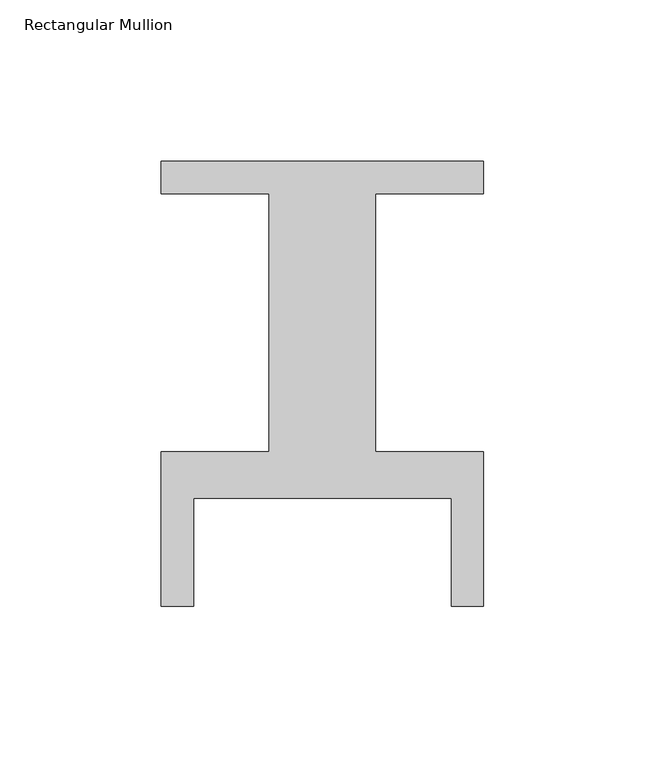
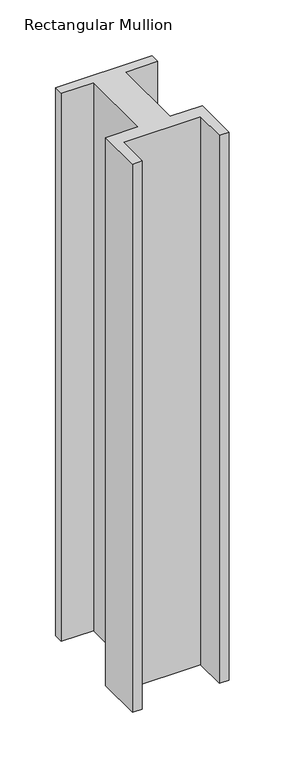
"""IFC4 building model written with IfcOpenShell, lengths in millimetres: member geometry, Rectangular Mullion."""

from ifc_helpers import new_model, si_unit, frame, origin, place, context, project, spatial, polyline, outline, extrude, source, transform, mapped, element, save


def rectangular_mullion_a1bda32b(model_context):
    return source(origin(), model_context, "Body", "SweptSolid", [
        extrude(outline(polyline([(0.0, -40.0), (0.0, -88.0), (-10.0, -88.0), (-10.0, -54.5), (-90.0, -54.5), (-90.0, -88.0), (-100.0, -88.0), (-100.0, -40.0), (-66.4715162, -40.0), (-66.4715162, 40.0), (-100.0, 40.0), (-100.0, 50.0), (0.0, 50.0), (0.0, 40.0), (-33.5494902, 40.0), (-33.5494902, -40.0), (0.0, -40.0)])), frame((0.0, 0.0, -600.0), z_axis=(0.0, 0.0, 1.0), x_axis=(1.0, 0.0, 0.0)), (0.0, 0.0, 1.0), 600.0),
    ])


if __name__ == "__main__":
    model = new_model("IFC4")
    model_context = context("Model", 3, world=origin())
    ifc_project = project(units=[si_unit("LENGTHUNIT", "METRE", prefix="MILLI")], contexts=[model_context])
    site = spatial("IfcSite", under=ifc_project)
    building = spatial("IfcBuilding", under=site)
    placement = place(None, origin())
    rectangular_mullion_shape = rectangular_mullion_a1bda32b(model_context)
    element("IfcMember", 1, ObjectType="Rectangular Mullion", at=placement, inside=building, context=model_context, shape_type="MappedRepresentation", body=[
        mapped(rectangular_mullion_shape, transform((0.0, 0.0, 0.0), x_axis=(1.0, 0.0, 0.0), y_axis=(0.0, 1.0, 0.0), z_axis=(0.0, 0.0, 1.0))),
    ])
    save(model, "model.ifc")
